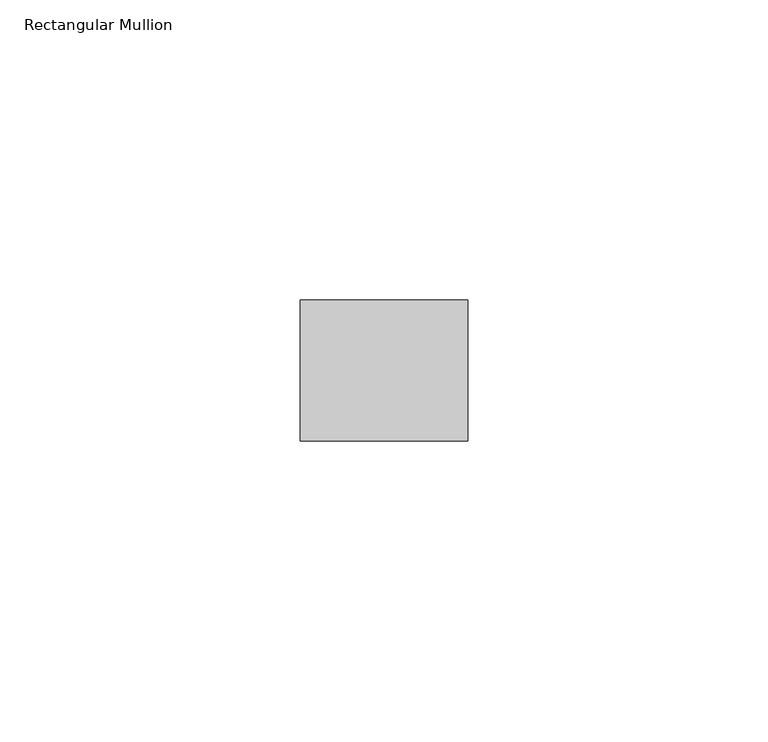
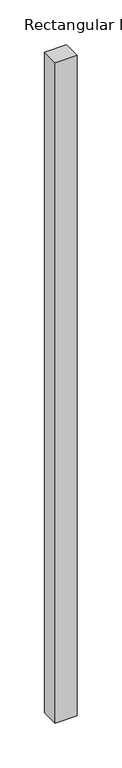
"""IFC4 building model written with IfcOpenShell, lengths in millimetres: member geometry, Rectangular Mullion."""

from ifc_helpers import new_model, si_unit, frame, origin, place, context, project, spatial, polyline, outline, extrude, source, transform, mapped, element, save


def rectangular_mullion_347c993a(model_context):
    return source(origin(), model_context, "Body", "SweptSolid", [
        extrude(outline(polyline([(0.0, -11.7474999), (-27.94, -11.7474999), (-27.94, 11.7474999), (0.0, 11.7474999), (0.0, -11.7474999)])), frame((0.0, 0.0, -897.4090346), z_axis=(0.0, 0.0, 1.0), x_axis=(1.0, 0.0, 0.0)), (0.0, 0.0, 1.0), 897.4090346),
    ])


if __name__ == "__main__":
    model = new_model("IFC4")
    model_context = context("Model", 3, world=origin())
    ifc_project = project(units=[si_unit("LENGTHUNIT", "METRE", prefix="MILLI")], contexts=[model_context])
    site = spatial("IfcSite", under=ifc_project)
    building = spatial("IfcBuilding", under=site)
    placement = place(None, origin())
    rectangular_mullion_shape = rectangular_mullion_347c993a(model_context)
    element("IfcMember", 1, ObjectType="Rectangular Mullion", at=placement, inside=building, context=model_context, shape_type="MappedRepresentation", body=[
        mapped(rectangular_mullion_shape, transform((0.0, 0.0, 0.0), x_axis=(1.0, 0.0, 0.0), y_axis=(0.0, 1.0, 0.0), z_axis=(0.0, 0.0, 1.0))),
    ])
    save(model, "model.ifc")
